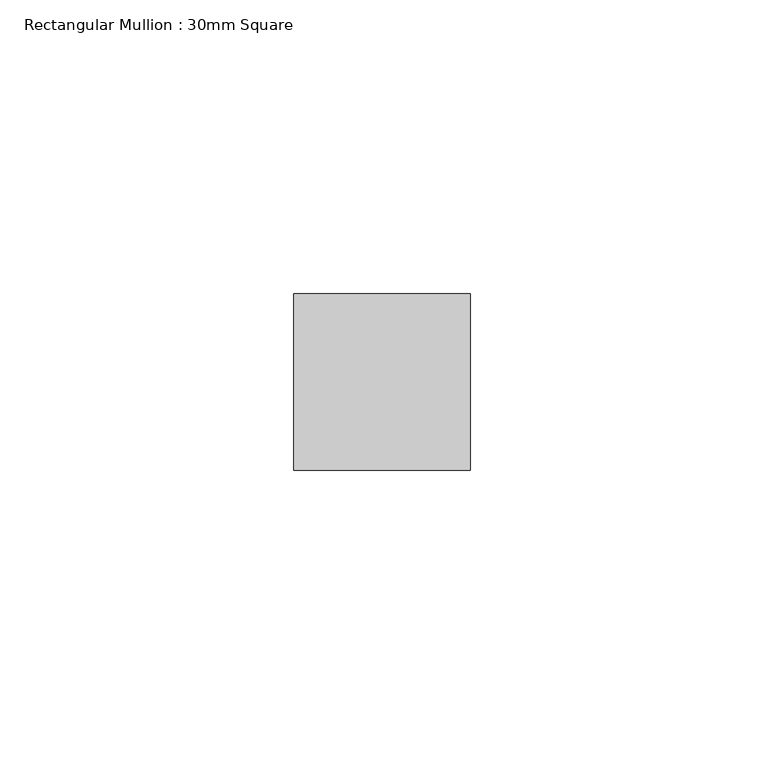
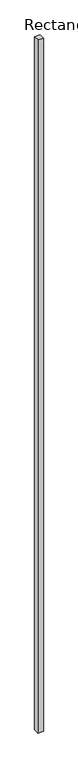
"""IFC4 building model written with IfcOpenShell, lengths in millimetres: member geometry, Rectangular Mullion : 30mm Square."""

from ifc_helpers import new_model, si_unit, frame, origin, place, context, project, spatial, polyline, outline, extrude, source, transform, mapped, element, save


def rectangular_mullion_30mm_square_a2305603(model_context):
    return source(origin(), model_context, "Body", "SweptSolid", [
        extrude(outline(polyline([(15.0, 15.0), (15.0, -15.0), (-15.0, -15.0), (-15.0, 15.0), (15.0, 15.0)])), frame((0.0, 0.0, -4015.0), z_axis=(0.0, 0.0, 1.0), x_axis=(1.0, 0.0, 0.0)), (0.0, 0.0, 1.0), 4015.0),
    ])


if __name__ == "__main__":
    model = new_model("IFC4")
    model_context = context("Model", 3, world=origin())
    ifc_project = project(units=[si_unit("LENGTHUNIT", "METRE", prefix="MILLI")], contexts=[model_context])
    site = spatial("IfcSite", under=ifc_project)
    building = spatial("IfcBuilding", under=site)
    placement = place(None, origin())
    rectangular_mullion_30mm_square_shape = rectangular_mullion_30mm_square_a2305603(model_context)
    element("IfcMember", 1, ObjectType="Rectangular Mullion : 30mm Square", at=placement, inside=building, context=model_context, shape_type="MappedRepresentation", body=[
        mapped(rectangular_mullion_30mm_square_shape, transform((0.0, 0.0, 0.0), x_axis=(1.0, 0.0, 0.0), y_axis=(0.0, 1.0, 0.0), z_axis=(0.0, 0.0, 1.0))),
    ])
    save(model, "model.ifc")
